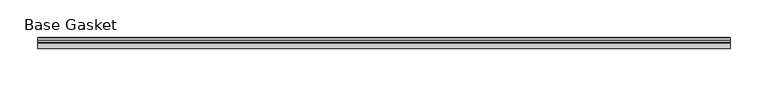
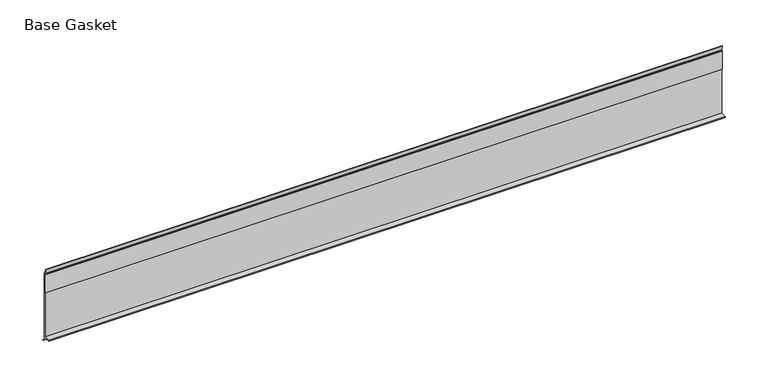
"""IFC4 building model written with IfcOpenShell, lengths in millimetres: furniture geometry, Base Gasket."""

import ifcopenshell
import ifcopenshell.guid

model = None  # the IFC model being written
_history = None  # IfcOwnerHistory: only IFC2X3 demands one
_inside = {}  # id of a spatial element -> (the spatial element, [elements in it])
_under = {}  # id of a project, library or spatial element -> (it, [spatial elements below it])
_declared = {}  # id of a project -> (the project, [libraries it declares])
_typed = {}  # id of a type object -> (the type object, [elements of that type])
_made_of = {}  # id of a material, layer set ... -> (it, [elements and type objects made of it])


def new_model(schema):
    """Start an empty IFC model of exactly this schema.

    Asked for "IFC4X3", IfcOpenShell would pick the latest addendum, in which some entities
    have other attributes; the version numbers below select the first issue.
    IFC2X3 requires an IfcOwnerHistory on every rooted entity: one is made here for all.
    """
    global model, _history
    if schema == "IFC4X3":
        model = ifcopenshell.file(schema_version=(4, 3, 0, 0))
    else:
        model = ifcopenshell.file(schema=schema)
    _inside.clear()
    _under.clear()
    _declared.clear()
    _typed.clear()
    _made_of.clear()
    _history = None
    if model.schema == "IFC2X3":
        org = make("IfcOrganization", Name="unknown")
        user = make(
            "IfcPersonAndOrganization",
            ThePerson=make("IfcPerson", FamilyName="unknown"),
            TheOrganization=org,
        )
        app = make(
            "IfcApplication",
            ApplicationDeveloper=org,
            Version="unknown",
            ApplicationFullName="unknown",
            ApplicationIdentifier="unknown",
        )
        _history = make(
            "IfcOwnerHistory",
            OwningUser=user,
            OwningApplication=app,
            ChangeAction="ADDED",
            CreationDate=0,
        )
    return model


def make(cls, **values):
    """One entity of the class cls with the attributes given. An attribute that is None is left unset."""
    return model.create_entity(
        cls, **{name: value for name, value in values.items() if value is not None}
    )


def rooted(cls, **values):
    """An entity with a GlobalId (a new one), such as an element, a storey or a relation."""
    return make(cls, GlobalId=ifcopenshell.guid.new(), OwnerHistory=_history, **values)


def si_unit(unit_type, name, prefix=None):
    """IfcSIUnit, for example si_unit("LENGTHUNIT", "METRE", prefix="MILLI")."""
    return make("IfcSIUnit", UnitType=unit_type, Prefix=prefix, Name=name)


def assignment(units):
    """IfcUnitAssignment: the units of a project."""
    return None if units is None else make("IfcUnitAssignment", Units=units)


def point(xyz):
    """IfcCartesianPoint."""
    return None if xyz is None else make("IfcCartesianPoint", Coordinates=xyz)


def direction(xyz):
    """IfcDirection."""
    return None if xyz is None else make("IfcDirection", DirectionRatios=xyz)


def frame(location, z_axis=None, x_axis=None):
    """IfcAxis2Placement3D, a coordinate frame: its origin and axes. An axis left out is left unset."""
    return make(
        "IfcAxis2Placement3D",
        Location=point(location),
        Axis=direction(z_axis),
        RefDirection=direction(x_axis),
    )


def origin():
    """The frame at (0, 0, 0) with its axes left unset."""
    return frame((0.0, 0.0, 0.0))


def place(relative_to, where):
    """IfcLocalPlacement: puts the frame where relative to a parent placement (None: the world)."""
    return make(
        "IfcLocalPlacement", PlacementRelTo=relative_to, RelativePlacement=where
    )


def context(
    kind, dimensions, precision=None, world=None, true_north=None, identifier=None
):
    """IfcGeometricRepresentationContext, for example the 3D "Model" context."""
    return make(
        "IfcGeometricRepresentationContext",
        ContextIdentifier=identifier,
        ContextType=kind,
        CoordinateSpaceDimension=dimensions,
        Precision=precision,
        WorldCoordinateSystem=world,
        TrueNorth=true_north,
    )


def project(units=None, contexts=None):
    """IfcProject with its units and contexts."""
    return rooted(
        "IfcProject",
        Name="project",
        RepresentationContexts=contexts,
        UnitsInContext=assignment(units),
    )


def spatial(cls, under=None, at=None, **own):
    """A site, building, storey or space (cls), placed at a placement, below another one or the project."""
    s = rooted(cls, ObjectPlacement=at, **own)
    if under is not None:
        _under.setdefault(under.id(), (under, []))[1].append(s)
    return s


def polyline(points):
    """IfcPolyline through the points."""
    return make("IfcPolyline", Points=[point(p) for p in points])


def outline(outer, holes=None, kind="AREA"):
    """IfcArbitraryClosedProfileDef: a profile drawn as a closed curve; with holes, ...WithVoids."""
    if holes is None:
        return make("IfcArbitraryClosedProfileDef", ProfileType=kind, OuterCurve=outer)
    return make(
        "IfcArbitraryProfileDefWithVoids",
        ProfileType=kind,
        OuterCurve=outer,
        InnerCurves=holes,
    )


def extrude(swept, where, along, depth):
    """IfcExtrudedAreaSolid: the profile swept, set in the frame where, extruded along a direction by depth."""
    return make(
        "IfcExtrudedAreaSolid",
        SweptArea=swept,
        Position=where,
        ExtrudedDirection=direction(along),
        Depth=depth,
    )


def shape(context_of_items, identifier, shape_type, items):
    """IfcShapeRepresentation: the items that make up one representation, for example the "Body"."""
    return make(
        "IfcShapeRepresentation",
        ContextOfItems=context_of_items,
        RepresentationIdentifier=identifier,
        RepresentationType=shape_type,
        Items=items,
    )


def source(mapping_origin, context_of_items, identifier, shape_type, items):
    """IfcRepresentationMap: a shape defined once, which mapped items show again and again."""
    return make(
        "IfcRepresentationMap",
        MappingOrigin=mapping_origin,
        MappedRepresentation=shape(context_of_items, identifier, shape_type, items),
    )


def transform(
    local_origin,
    x_axis=None,
    y_axis=None,
    z_axis=None,
    scale=None,
    scale2=None,
    scale3=None,
    uniform=True,
):
    """IfcCartesianTransformationOperator3D, or its non-uniform kind. x_axis, y_axis, z_axis: its Axis1, 2, 3."""
    if uniform:
        return make(
            "IfcCartesianTransformationOperator3D",
            Axis1=direction(x_axis),
            Axis2=direction(y_axis),
            LocalOrigin=point(local_origin),
            Scale=scale,
            Axis3=direction(z_axis),
        )
    return make(
        "IfcCartesianTransformationOperator3DnonUniform",
        Axis1=direction(x_axis),
        Axis2=direction(y_axis),
        LocalOrigin=point(local_origin),
        Scale=scale,
        Axis3=direction(z_axis),
        Scale2=scale2,
        Scale3=scale3,
    )


def mapped(mapping_source, mapping_target):
    """IfcMappedItem: shows the shape of a source again, moved by a transform."""
    return make(
        "IfcMappedItem", MappingSource=mapping_source, MappingTarget=mapping_target
    )


def made_of(thing, what):
    """Note that an element or type object is made of a material, layer set ...; save() writes the relation."""
    if what is not None:
        _made_of.setdefault(what.id(), (what, []))[1].append(thing)
    return thing


def element(
    cls,
    number,
    at=None,
    inside=None,
    cuts=None,
    type_object=None,
    material=None,
    context=None,
    identifier="Body",
    shape_type=None,
    held_by="IfcProductDefinitionShape",
    body=None,
    shapes=None,
    **own,
):
    """One element of the class cls, such as IfcWall. Its Tag is "e" and its number.

    at: its placement. inside: the storey or other place that contains it. cuts: it is an
    opening in that element (IfcRelVoidsElement). A single representation is given by context,
    identifier, shape_type and body (its items); several are given by shapes. held_by: the class
    of the entity that holds the representations. save() writes the other relations.
    """
    e = rooted(cls, Tag="e%d" % number, ObjectPlacement=at, **own)
    if body is not None:
        shapes = [shape(context, identifier, shape_type, body)]
    if shapes is not None:
        e.Representation = make(held_by, Representations=shapes)
    if inside is not None:
        _inside.setdefault(inside.id(), (inside, []))[1].append(e)
    if cuts is not None:
        rooted(
            "IfcRelVoidsElement", RelatingBuildingElement=cuts, RelatedOpeningElement=e
        )
    if type_object is not None:
        _typed.setdefault(type_object.id(), (type_object, []))[1].append(e)
    return made_of(e, material)


def aggregate(whole, parts):
    """IfcRelAggregates: a whole, such as a stair, and the parts it consists of."""
    return rooted("IfcRelAggregates", RelatingObject=whole, RelatedObjects=parts)


def save(model, path):
    """Write the relations noted so far, then the file.

    IfcRelAggregates (storeys below a building ...), IfcRelContainedInSpatialStructure (elements
    in a storey), IfcRelDefinesByType, IfcRelAssociatesMaterial and IfcRelDeclares: one each for
    every whole, place, type object, material and project.
    """
    for whole, parts in _under.values():
        aggregate(whole, parts)
    for where, things in _inside.values():
        rooted(
            "IfcRelContainedInSpatialStructure",
            RelatedElements=things,
            RelatingStructure=where,
        )
    for kind, things in _typed.values():
        rooted("IfcRelDefinesByType", RelatedObjects=things, RelatingType=kind)
    for what, things in _made_of.values():
        rooted("IfcRelAssociatesMaterial", RelatedObjects=things, RelatingMaterial=what)
    for by, libraries in _declared.values():
        rooted("IfcRelDeclares", RelatingContext=by, RelatedDefinitions=libraries)
    model.write(path)


def base_gasket_bc602365(model_context):
    return source(origin(), model_context, "Body", "SweptSolid", [
        extrude(outline(polyline([(3.7283812, 98.4568417), (3.7283812, 4.3498477), (7.4222115, 0.6560174), (7.8482342, 0.0), (6.8281054, 0.3520979), (2.2043812, 4.3498477), (2.1334222, 6.3818476), (-6.2405171, 6.3818476), (-6.2405171, 7.9398773), (2.2043812, 7.9398773), (2.2043812, 71.4693447), (1.4106313, 71.4693447), (1.4106313, 96.8693477), (2.2043812, 96.8693477), (2.2043812, 98.4568417), (0.6755308, 104.4162708), (0.6755308, 105.2002997), (1.1891543, 104.587663), (3.7283812, 98.4568417)])), frame((-1527.8982117, 0.0, 0.0), z_axis=(1.0, 0.0, 0.0), x_axis=(0.0, 1.0, 0.0)), (0.0, 0.0, 1.0), 914.5704326),
    ])


if __name__ == "__main__":
    model = new_model("IFC4")
    model_context = context("Model", 3, world=origin())
    ifc_project = project(units=[si_unit("LENGTHUNIT", "METRE", prefix="MILLI")], contexts=[model_context])
    site = spatial("IfcSite", under=ifc_project)
    building = spatial("IfcBuilding", under=site)
    placement = place(None, origin())
    base_gasket_shape = base_gasket_bc602365(model_context)
    element("IfcFurniture", 1, ObjectType="Base Gasket", at=placement, inside=building, context=model_context, shape_type="MappedRepresentation", body=[
        mapped(base_gasket_shape, transform((0.0, 0.0, 0.0), x_axis=(1.0, 0.0, 0.0), y_axis=(0.0, 1.0, 0.0), z_axis=(0.0, 0.0, 1.0))),
    ])
    save(model, "model.ifc")
